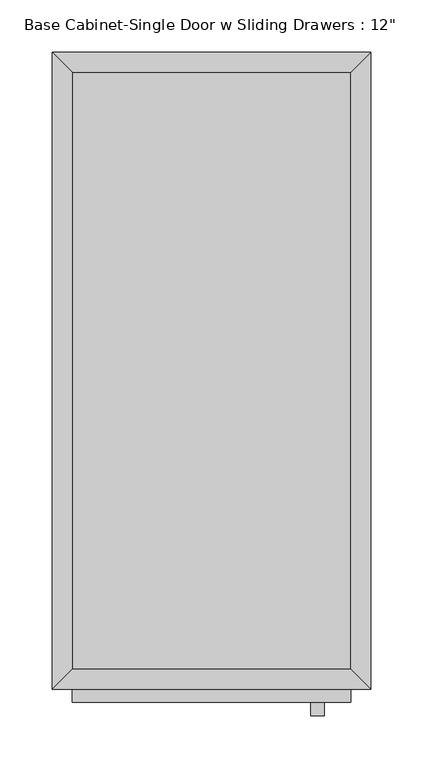
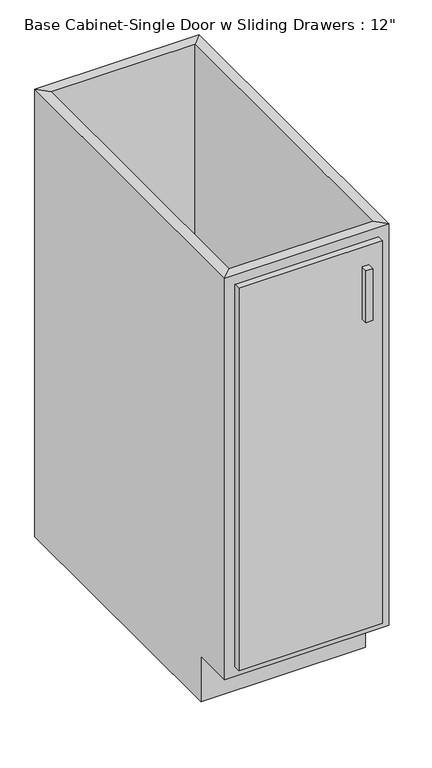
"""IFC4 building model written with IfcOpenShell, lengths in millimetres: furniture geometry."""

import ifcopenshell
import ifcopenshell.guid

model = None  # the IFC model being written
_history = None  # IfcOwnerHistory: only IFC2X3 demands one
_inside = {}  # id of a spatial element -> (the spatial element, [elements in it])
_under = {}  # id of a project, library or spatial element -> (it, [spatial elements below it])
_declared = {}  # id of a project -> (the project, [libraries it declares])
_typed = {}  # id of a type object -> (the type object, [elements of that type])
_made_of = {}  # id of a material, layer set ... -> (it, [elements and type objects made of it])


def new_model(schema):
    """Start an empty IFC model of exactly this schema.

    Asked for "IFC4X3", IfcOpenShell would pick the latest addendum, in which some entities
    have other attributes; the version numbers below select the first issue.
    IFC2X3 requires an IfcOwnerHistory on every rooted entity: one is made here for all.
    """
    global model, _history
    if schema == "IFC4X3":
        model = ifcopenshell.file(schema_version=(4, 3, 0, 0))
    else:
        model = ifcopenshell.file(schema=schema)
    _inside.clear()
    _under.clear()
    _declared.clear()
    _typed.clear()
    _made_of.clear()
    _history = None
    if model.schema == "IFC2X3":
        org = make("IfcOrganization", Name="unknown")
        user = make(
            "IfcPersonAndOrganization",
            ThePerson=make("IfcPerson", FamilyName="unknown"),
            TheOrganization=org,
        )
        app = make(
            "IfcApplication",
            ApplicationDeveloper=org,
            Version="unknown",
            ApplicationFullName="unknown",
            ApplicationIdentifier="unknown",
        )
        _history = make(
            "IfcOwnerHistory",
            OwningUser=user,
            OwningApplication=app,
            ChangeAction="ADDED",
            CreationDate=0,
        )
    return model


def make(cls, **values):
    """One entity of the class cls with the attributes given. An attribute that is None is left unset."""
    return model.create_entity(
        cls, **{name: value for name, value in values.items() if value is not None}
    )


def rooted(cls, **values):
    """An entity with a GlobalId (a new one), such as an element, a storey or a relation."""
    return make(cls, GlobalId=ifcopenshell.guid.new(), OwnerHistory=_history, **values)


def si_unit(unit_type, name, prefix=None):
    """IfcSIUnit, for example si_unit("LENGTHUNIT", "METRE", prefix="MILLI")."""
    return make("IfcSIUnit", UnitType=unit_type, Prefix=prefix, Name=name)


def assignment(units):
    """IfcUnitAssignment: the units of a project."""
    return None if units is None else make("IfcUnitAssignment", Units=units)


def point(xyz):
    """IfcCartesianPoint."""
    return None if xyz is None else make("IfcCartesianPoint", Coordinates=xyz)


def direction(xyz):
    """IfcDirection."""
    return None if xyz is None else make("IfcDirection", DirectionRatios=xyz)


def frame(location, z_axis=None, x_axis=None):
    """IfcAxis2Placement3D, a coordinate frame: its origin and axes. An axis left out is left unset."""
    return make(
        "IfcAxis2Placement3D",
        Location=point(location),
        Axis=direction(z_axis),
        RefDirection=direction(x_axis),
    )


def origin():
    """The frame at (0, 0, 0) with its axes left unset."""
    return frame((0.0, 0.0, 0.0))


def place(relative_to, where):
    """IfcLocalPlacement: puts the frame where relative to a parent placement (None: the world)."""
    return make(
        "IfcLocalPlacement", PlacementRelTo=relative_to, RelativePlacement=where
    )


def context(
    kind, dimensions, precision=None, world=None, true_north=None, identifier=None
):
    """IfcGeometricRepresentationContext, for example the 3D "Model" context."""
    return make(
        "IfcGeometricRepresentationContext",
        ContextIdentifier=identifier,
        ContextType=kind,
        CoordinateSpaceDimension=dimensions,
        Precision=precision,
        WorldCoordinateSystem=world,
        TrueNorth=true_north,
    )


def project(units=None, contexts=None):
    """IfcProject with its units and contexts."""
    return rooted(
        "IfcProject",
        Name="project",
        RepresentationContexts=contexts,
        UnitsInContext=assignment(units),
    )


def spatial(cls, under=None, at=None, **own):
    """A site, building, storey or space (cls), placed at a placement, below another one or the project."""
    s = rooted(cls, ObjectPlacement=at, **own)
    if under is not None:
        _under.setdefault(under.id(), (under, []))[1].append(s)
    return s


def polyline(points):
    """IfcPolyline through the points."""
    return make("IfcPolyline", Points=[point(p) for p in points])


def outline(outer, holes=None, kind="AREA"):
    """IfcArbitraryClosedProfileDef: a profile drawn as a closed curve; with holes, ...WithVoids."""
    if holes is None:
        return make("IfcArbitraryClosedProfileDef", ProfileType=kind, OuterCurve=outer)
    return make(
        "IfcArbitraryProfileDefWithVoids",
        ProfileType=kind,
        OuterCurve=outer,
        InnerCurves=holes,
    )


def extrude(swept, where, along, depth):
    """IfcExtrudedAreaSolid: the profile swept, set in the frame where, extruded along a direction by depth."""
    return make(
        "IfcExtrudedAreaSolid",
        SweptArea=swept,
        Position=where,
        ExtrudedDirection=direction(along),
        Depth=depth,
    )


def faces_of(points, faces, orient=None, outer=None):
    """IfcFace entities. A face is a list of loops; a loop is a list of indices into points, from 0.

    orient and outer hold one flag for each loop. By default every Orientation is true, the
    first loop of a face is its IfcFaceOuterBound and the others are IfcFaceBound.
    """
    made = []
    for i, loops in enumerate(faces):
        bounds = []
        for j, loop in enumerate(loops):
            is_outer = j == 0 if outer is None else outer[i][j]
            bounds.append(
                make(
                    "IfcFaceOuterBound" if is_outer else "IfcFaceBound",
                    Bound=make("IfcPolyLoop", Polygon=[points[k] for k in loop]),
                    Orientation=True if orient is None else orient[i][j],
                )
            )
        made.append(make("IfcFace", Bounds=bounds))
    return made


def faceted_brep(points, faces, orient=None, outer=None, voids=None):
    """IfcFacetedBrep: a solid bounded by flat faces; with voids (closed shells), ...WithVoids."""
    shared = [point(p) for p in points]
    hull = make("IfcClosedShell", CfsFaces=faces_of(shared, faces, orient, outer))
    if voids is None:
        return make("IfcFacetedBrep", Outer=hull)
    return make(
        "IfcFacetedBrepWithVoids",
        Outer=hull,
        Voids=[
            make(cls, CfsFaces=faces_of(shared, fs, o, b)) for cls, fs, o, b in voids
        ],
    )


def shape(context_of_items, identifier, shape_type, items):
    """IfcShapeRepresentation: the items that make up one representation, for example the "Body"."""
    return make(
        "IfcShapeRepresentation",
        ContextOfItems=context_of_items,
        RepresentationIdentifier=identifier,
        RepresentationType=shape_type,
        Items=items,
    )


def source(mapping_origin, context_of_items, identifier, shape_type, items):
    """IfcRepresentationMap: a shape defined once, which mapped items show again and again."""
    return make(
        "IfcRepresentationMap",
        MappingOrigin=mapping_origin,
        MappedRepresentation=shape(context_of_items, identifier, shape_type, items),
    )


def transform(
    local_origin,
    x_axis=None,
    y_axis=None,
    z_axis=None,
    scale=None,
    scale2=None,
    scale3=None,
    uniform=True,
):
    """IfcCartesianTransformationOperator3D, or its non-uniform kind. x_axis, y_axis, z_axis: its Axis1, 2, 3."""
    if uniform:
        return make(
            "IfcCartesianTransformationOperator3D",
            Axis1=direction(x_axis),
            Axis2=direction(y_axis),
            LocalOrigin=point(local_origin),
            Scale=scale,
            Axis3=direction(z_axis),
        )
    return make(
        "IfcCartesianTransformationOperator3DnonUniform",
        Axis1=direction(x_axis),
        Axis2=direction(y_axis),
        LocalOrigin=point(local_origin),
        Scale=scale,
        Axis3=direction(z_axis),
        Scale2=scale2,
        Scale3=scale3,
    )


def mapped(mapping_source, mapping_target):
    """IfcMappedItem: shows the shape of a source again, moved by a transform."""
    return make(
        "IfcMappedItem", MappingSource=mapping_source, MappingTarget=mapping_target
    )


def made_of(thing, what):
    """Note that an element or type object is made of a material, layer set ...; save() writes the relation."""
    if what is not None:
        _made_of.setdefault(what.id(), (what, []))[1].append(thing)
    return thing


def element(
    cls,
    number,
    at=None,
    inside=None,
    cuts=None,
    type_object=None,
    material=None,
    context=None,
    identifier="Body",
    shape_type=None,
    held_by="IfcProductDefinitionShape",
    body=None,
    shapes=None,
    **own,
):
    """One element of the class cls, such as IfcWall. Its Tag is "e" and its number.

    at: its placement. inside: the storey or other place that contains it. cuts: it is an
    opening in that element (IfcRelVoidsElement). A single representation is given by context,
    identifier, shape_type and body (its items); several are given by shapes. held_by: the class
    of the entity that holds the representations. save() writes the other relations.
    """
    e = rooted(cls, Tag="e%d" % number, ObjectPlacement=at, **own)
    if body is not None:
        shapes = [shape(context, identifier, shape_type, body)]
    if shapes is not None:
        e.Representation = make(held_by, Representations=shapes)
    if inside is not None:
        _inside.setdefault(inside.id(), (inside, []))[1].append(e)
    if cuts is not None:
        rooted(
            "IfcRelVoidsElement", RelatingBuildingElement=cuts, RelatedOpeningElement=e
        )
    if type_object is not None:
        _typed.setdefault(type_object.id(), (type_object, []))[1].append(e)
    return made_of(e, material)


def aggregate(whole, parts):
    """IfcRelAggregates: a whole, such as a stair, and the parts it consists of."""
    return rooted("IfcRelAggregates", RelatingObject=whole, RelatedObjects=parts)


def save(model, path):
    """Write the relations noted so far, then the file.

    IfcRelAggregates (storeys below a building ...), IfcRelContainedInSpatialStructure (elements
    in a storey), IfcRelDefinesByType, IfcRelAssociatesMaterial and IfcRelDeclares: one each for
    every whole, place, type object, material and project.
    """
    for whole, parts in _under.values():
        aggregate(whole, parts)
    for where, things in _inside.values():
        rooted(
            "IfcRelContainedInSpatialStructure",
            RelatedElements=things,
            RelatingStructure=where,
        )
    for kind, things in _typed.values():
        rooted("IfcRelDefinesByType", RelatedObjects=things, RelatingType=kind)
    for what, things in _made_of.values():
        rooted("IfcRelAssociatesMaterial", RelatedObjects=things, RelatingMaterial=what)
    for by, libraries in _declared.values():
        rooted("IfcRelDeclares", RelatingContext=by, RelatedDefinitions=libraries)
    model.write(path)


def furniture_3e394005(model_context):
    return source(origin(), model_context, "Body", "SolidModel", [
        faceted_brep([(152.0877049, -590.55, 876.3), (152.0877049, -590.55, 88.9), (-114.6122951, -590.55, 88.9), (-114.6122951, -590.55, 876.3), (-133.6622951, -609.6, 876.3), (171.1377049, -609.6, 876.3), (-133.6622951, -609.6, 88.9), (171.1377049, -609.6, 88.9), (-114.6122951, -533.4, 88.9), (-114.6122951, -19.05, 88.9), (-114.6122951, -19.05, 876.3), (-133.6622951, 0.0, 876.3), (-133.6622951, 0.0, 0.0), (-133.6622951, -533.4, 0.0), (-133.6622951, -533.4, 88.9), (152.0877049, -19.05, 88.9), (152.0877049, -19.05, 876.3), (171.1377049, 0.0, 876.3), (171.1377049, 0.0, 0.0), (152.0877049, -533.4, 88.9), (171.1377049, -533.4, 88.9), (171.1377049, -533.4, 0.0)], [[[0, 1, 2, 3]], [[0, 3, 4, 5]], [[5, 4, 6, 7]], [[2, 1, 7, 6]], [[3, 2, 8, 9, 10]], [[4, 3, 10, 11]], [[6, 4, 11, 12, 13, 14]], [[2, 6, 14, 8]], [[10, 9, 15, 16]], [[11, 10, 16, 17]], [[12, 11, 17, 18]], [[1, 0, 16, 15, 19]], [[0, 5, 17, 16]], [[5, 7, 20, 21, 18, 17]], [[7, 1, 19, 20]], [[8, 19, 15, 9]], [[18, 21, 13, 12]], [[13, 21, 20, 19, 8, 14]]]),
        extrude(outline(polyline([(152.0877049, -19.05), (152.0877049, -590.55), (-114.6122951, -590.55), (-114.6122951, -19.05), (152.0877049, -19.05)])), frame((0.0, 0.0, 88.9), z_axis=(0.0, 0.0, 1.0), x_axis=(1.0, 0.0, 0.0)), (0.0, 0.0, 1.0), 19.05),
        extrude(outline(polyline([(126.6877049, -635.0), (113.9877049, -635.0), (113.9877049, -622.3), (126.6877049, -622.3), (126.6877049, -635.0)])), frame((0.0, 0.0, 717.55), z_axis=(0.0, 0.0, 1.0), x_axis=(1.0, 0.0, 0.0)), (0.0, 0.0, 1.0), 101.6),
        extrude(outline(polyline([(152.0877049, -622.3), (-114.6122951, -622.3), (-114.6122951, -609.6), (152.0877049, -609.6), (152.0877049, -622.3)])), frame((0.0, 0.0, 107.95), z_axis=(0.0, 0.0, 1.0), x_axis=(1.0, 0.0, 0.0)), (0.0, 0.0, 1.0), 749.3),
    ])


if __name__ == "__main__":
    model = new_model("IFC4")
    model_context = context("Model", 3, world=origin())
    ifc_project = project(units=[si_unit("LENGTHUNIT", "METRE", prefix="MILLI")], contexts=[model_context])
    site = spatial("IfcSite", under=ifc_project)
    building = spatial("IfcBuilding", under=site)
    placement = place(None, origin())
    furniture_shape = furniture_3e394005(model_context)
    element("IfcFurniture", 1, ObjectType="Base Cabinet-Single Door w Sliding Drawers : 12\"", at=placement, inside=building, context=model_context, shape_type="MappedRepresentation", body=[
        mapped(furniture_shape, transform((0.0, 0.0, 0.0), x_axis=(1.0, 0.0, 0.0), y_axis=(0.0, 1.0, 0.0), z_axis=(0.0, 0.0, 1.0))),
    ])
    save(model, "model.ifc")
